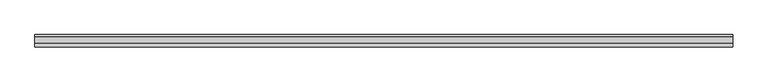
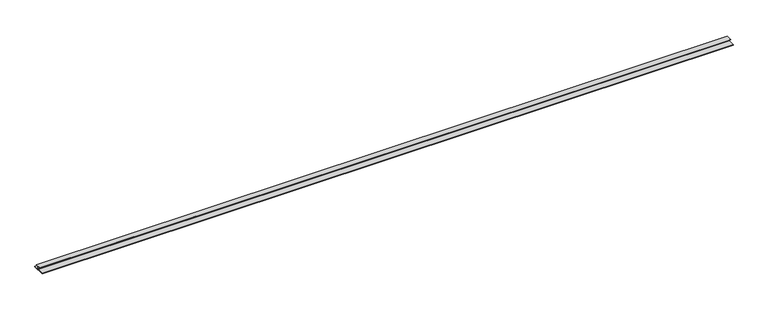
"""IFC4 building model written with IfcOpenShell, lengths in millimetres: proxy geometry."""

from ifc_helpers import new_model, si_unit, frame, origin, place, context, project, spatial, polyline, outline, extrude, source, transform, mapped, element, save


def generic_models_893d7f33(model_context):
    return source(origin(), model_context, "Body", "SweptSolid", [
        extrude(outline(polyline([(-21.0, -8.0), (-0.5, -8.0), (-0.5, 0.0), (-8.5, 0.0), (-8.5, 1.0), (8.5, 1.0), (8.5, 0.0), (0.5, 0.0), (0.5, -8.0), (15.0, -8.0), (15.0, -9.0), (-21.0, -9.0), (-21.0, -8.0)])), frame((0.0, 0.0, 0.0), z_axis=(1.0, 0.0, 0.0), x_axis=(0.0, 1.0, 0.0)), (0.0, 0.0, 1.0), 2000.0),
    ])


if __name__ == "__main__":
    model = new_model("IFC4")
    model_context = context("Model", 3, world=origin())
    ifc_project = project(units=[si_unit("LENGTHUNIT", "METRE", prefix="MILLI")], contexts=[model_context])
    site = spatial("IfcSite", under=ifc_project)
    building = spatial("IfcBuilding", under=site)
    placement = place(None, origin())
    generic_models_shape = generic_models_893d7f33(model_context)
    element("IfcBuildingElementProxy", 1, Name="Generic Models", at=placement, inside=building, context=model_context, shape_type="MappedRepresentation", body=[
        mapped(generic_models_shape, transform((0.0, 0.0, 0.0), x_axis=(1.0, 0.0, 0.0), y_axis=(0.0, 1.0, 0.0), z_axis=(0.0, 0.0, 1.0))),
    ])
    save(model, "model.ifc")
